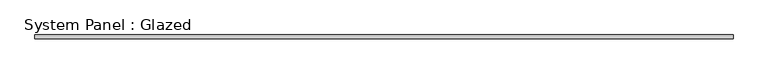
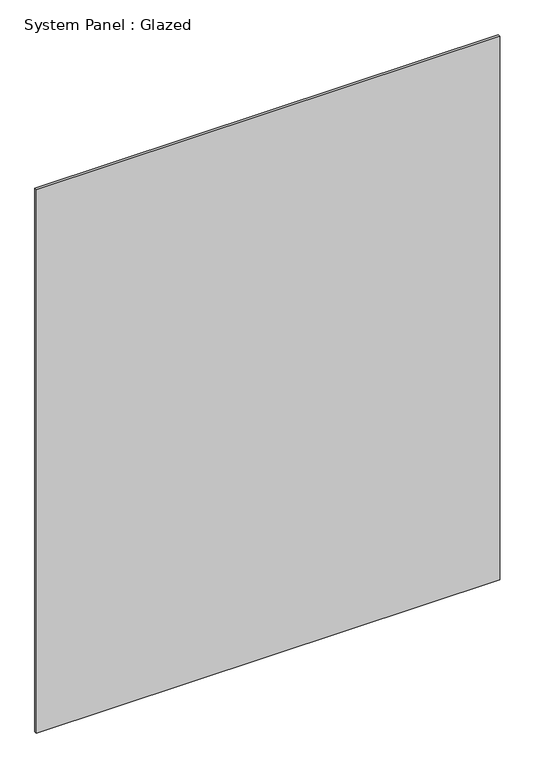
"""IFC4 building model written with IfcOpenShell, lengths in millimetres: plate geometry, System Panel : Glazed."""

from ifc_helpers import new_model, si_unit, origin, origin_with_axes, place, context, project, spatial, polyline, outline, extrude, source, transform, mapped, element, save


def system_panel_glazed_e1d84c99(model_context):
    return source(origin(), model_context, "Body", "SweptSolid", [
        extrude(outline(polyline([(587.376905, -3.175), (-587.376905, -3.175), (-587.376905, 3.175), (587.376905, 3.175), (587.376905, -3.175)])), origin_with_axes(), (0.0, 0.0, 1.0), 1455.758455),
    ])


if __name__ == "__main__":
    model = new_model("IFC4")
    model_context = context("Model", 3, world=origin())
    ifc_project = project(units=[si_unit("LENGTHUNIT", "METRE", prefix="MILLI")], contexts=[model_context])
    site = spatial("IfcSite", under=ifc_project)
    building = spatial("IfcBuilding", under=site)
    placement = place(None, origin())
    system_panel_glazed_shape = system_panel_glazed_e1d84c99(model_context)
    element("IfcPlate", 1, ObjectType="System Panel : Glazed", at=placement, inside=building, context=model_context, shape_type="MappedRepresentation", body=[
        mapped(system_panel_glazed_shape, transform((0.0, 0.0, 0.0), x_axis=(1.0, 0.0, 0.0), y_axis=(0.0, 1.0, 0.0), z_axis=(0.0, 0.0, 1.0))),
    ])
    save(model, "model.ifc")
